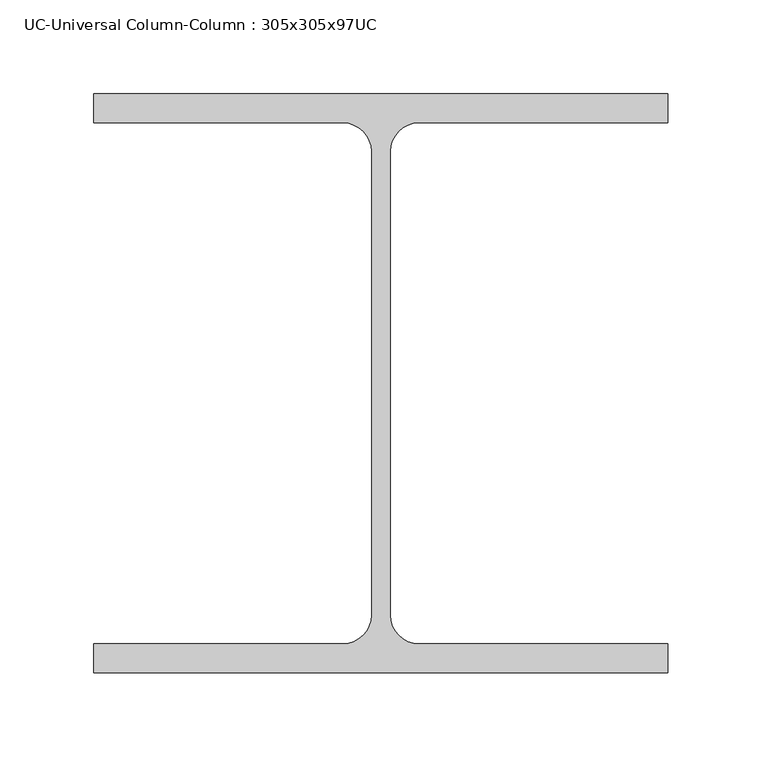
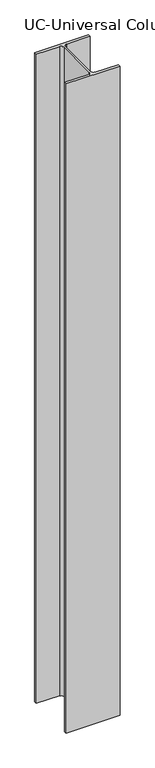
"""IFC4 building model written with IfcOpenShell, lengths in millimetres: column geometry, UC-Universal Column-Column : 305x305x97UC."""

from ifc_helpers import new_model, si_unit, point, frame, frame_2d, origin, place, context, project, spatial, polyline, circle_curve, trimmed, segment, composite_curve, outline, extrude, source, transform, mapped, element, save


def uc_universal_column_column_305x305x97uc_e5d55c7a(model_context):
    return source(origin(), model_context, "Body", "SweptSolid", [
        extrude(outline(composite_curve([segment(polyline([(152.65, 153.95), (152.65, 138.55), (20.15, 138.55)]), True, "CONTINUOUS"), segment(trimmed(circle_curve(frame_2d((20.15, 123.35)), 15.2), [point((20.15, 138.55))], [point((4.95, 123.35))], True, "CARTESIAN"), True, "CONTINUOUS"), segment(polyline([(4.95, 123.35), (4.95, -123.35)]), True, "CONTINUOUS"), segment(trimmed(circle_curve(frame_2d((20.15, -123.35)), 15.2), [point((4.95, -123.35))], [point((20.15, -138.55))], True, "CARTESIAN"), True, "CONTINUOUS"), segment(polyline([(20.15, -138.55), (152.65, -138.55), (152.65, -153.95), (-152.65, -153.95), (-152.65, -138.55), (-20.15, -138.55)]), True, "CONTINUOUS"), segment(trimmed(circle_curve(frame_2d((-20.15, -123.35)), 15.2), [point((-20.15, -138.55))], [point((-4.95, -123.35))], True, "CARTESIAN"), True, "CONTINUOUS"), segment(polyline([(-4.95, -123.35), (-4.95, 123.35)]), True, "CONTINUOUS"), segment(trimmed(circle_curve(frame_2d((-20.15, 123.35)), 15.2), [point((-4.95, 123.35))], [point((-20.15, 138.55))], True, "CARTESIAN"), True, "CONTINUOUS"), segment(polyline([(-20.15, 138.55), (-152.65, 138.55), (-152.65, 153.95), (152.65, 153.95)]), True, "CONTINUOUS")], self_intersect=False)), frame((0.0, 0.0, 12962.0), z_axis=(0.0, 0.0, 1.0), x_axis=(1.0, 0.0, 0.0)), (0.0, 0.0, 1.0), 3888.0),
    ])


if __name__ == "__main__":
    model = new_model("IFC4")
    model_context = context("Model", 3, world=origin())
    ifc_project = project(units=[si_unit("LENGTHUNIT", "METRE", prefix="MILLI")], contexts=[model_context])
    site = spatial("IfcSite", under=ifc_project)
    building = spatial("IfcBuilding", under=site)
    placement = place(None, origin())
    uc_universal_column_column_305x305x97uc_shape = uc_universal_column_column_305x305x97uc_e5d55c7a(model_context)
    element("IfcColumn", 1, ObjectType="UC-Universal Column-Column : 305x305x97UC", at=placement, inside=building, context=model_context, shape_type="MappedRepresentation", body=[
        mapped(uc_universal_column_column_305x305x97uc_shape, transform((0.0, 0.0, 0.0), x_axis=(1.0, 0.0, 0.0), y_axis=(0.0, 1.0, 0.0), z_axis=(0.0, 0.0, 1.0))),
    ])
    save(model, "model.ifc")
